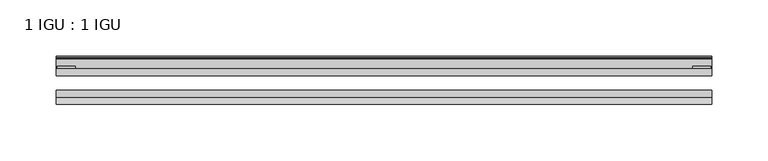
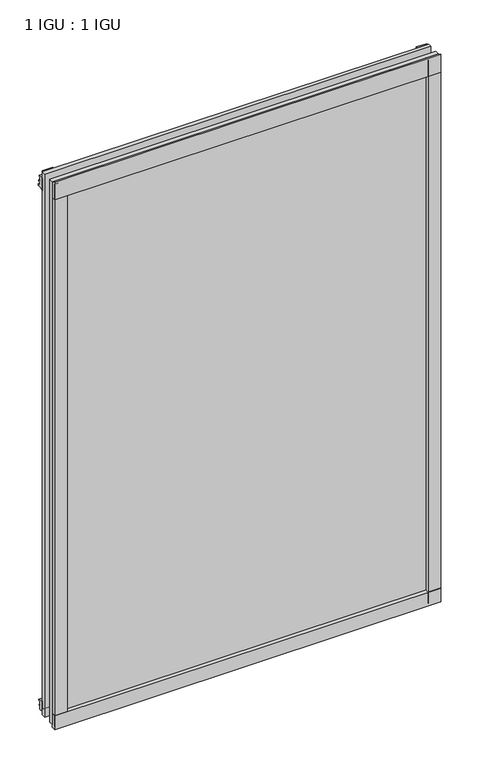
"""IFC4 building model written with IfcOpenShell, lengths in millimetres: plate geometry, 1 IGU : 1 IGU."""

from ifc_helpers import new_model, si_unit, point, frame, frame_2d, origin, place, context, project, spatial, polyline, circle_curve, trimmed, segment, composite_curve, outline, extrude, source, transform, mapped, element, save


def plate_1_igu_1_igu_bfe5021c(model_context):
    return source(origin(), model_context, "Body", "SweptSolid", [
        extrude(outline(polyline([(292.1, 0.0021347), (292.1, -6.2992), (-292.1, -6.2992), (-292.1, 0.0021347), (292.1, 0.0021347)])), frame((0.0, 0.0, -17.4498), z_axis=(0.0, 0.0, 1.0), x_axis=(1.0, 0.0, 0.0)), (0.0, 0.0, 1.0), 868.3366072),
        extrude(outline(polyline([(-292.1, -19.0986653), (292.1, -19.0986653), (292.1, -25.3978653), (-292.1, -25.3978653), (-292.1, -19.0986653)])), frame((0.0, 0.0, -17.4498), z_axis=(0.0, 0.0, 1.0), x_axis=(1.0, 0.0, 0.0)), (0.0, 0.0, 1.0), 868.3366072),
        extrude(outline(composite_curve([segment(polyline([(-31.75, 0.0), (-25.4, 0.0), (-25.4, -22.225)]), True, "CONTINUOUS"), segment(trimmed(circle_curve(frame_2d((-28.575, -28.9113452)), 7.4018806), [point((-25.4, -22.225))], [point((-31.75, -22.225))], True, "CARTESIAN"), True, "CONTINUOUS"), segment(polyline([(-31.75, -22.225), (-31.75, 0.0)]), True, "CONTINUOUS")], self_intersect=False)), frame((-292.1, 0.0, 0.0), z_axis=(1.0, 0.0, 0.0), x_axis=(0.0, 1.0, 0.0)), (0.0, 0.0, 1.0), 584.2),
        extrude(outline(composite_curve([segment(trimmed(circle_curve(frame_2d((13.6593785, 32.4202472)), 31.3046461), [point((0.0, 4.2528503))], [point((9.3980339, 1.406995))], True, "CARTESIAN"), True, "CONTINUOUS"), segment(polyline([(9.3980339, 1.406995), (9.3980339, 0.0254), (6.35, 0.0254), (6.35, -5.1625788), (7.7309478, -5.3970663), (6.35, -8.0073788), (6.35, -11.8471127)]), True, "CONTINUOUS"), segment(trimmed(circle_curve(frame_2d((5.334, -11.8471127)), 1.016), [point((6.35, -11.8471127))], [point((4.6284878, -12.5782136))], False, "CARTESIAN"), True, "CONTINUOUS"), segment(trimmed(circle_curve(frame_2d((-23.3689302, -41.5910901)), 40.3187601), [point((4.6284878, -12.5782136))], [point((0.0, -8.735413))], True, "CARTESIAN"), True, "CONTINUOUS"), segment(polyline([(0.0, -8.735413), (0.0, 4.2528503)]), True, "CONTINUOUS")], self_intersect=False)), frame((-292.1, 0.0, 0.0), z_axis=(1.0, 0.0, 0.0), x_axis=(0.0, 1.0, 0.0)), (0.0, 0.0, 1.0), 584.2),
        extrude(outline(composite_curve([segment(polyline([(8.509, 840.7300284), (8.509, 838.6980284), (6.35, 838.6980284), (6.35, 833.3640284), (8.9492698, 833.3640284)]), True, "CONTINUOUS"), segment(trimmed(circle_curve(frame_2d((8.208689, 831.8368072)), 1.697311), [point((8.9492698, 833.3640284))], [point((8.962411, 830.3160284))], False, "CARTESIAN"), True, "CONTINUOUS"), segment(polyline([(8.962411, 830.3160284), (6.35, 830.3160284), (6.35, 825.4868072), (11.1252, 825.4868072), (11.1252, 824.5978072)]), True, "CONTINUOUS"), segment(trimmed(circle_curve(frame_2d((10.1092, 824.5978072)), 1.016), [point((11.1252, 824.5978072))], [point((10.1092, 823.5818072))], False, "CARTESIAN"), True, "CONTINUOUS"), segment(trimmed(circle_curve(frame_2d((10.1092, 804.1707318)), 19.4110754), [point((10.1092, 823.5818072))], [point((0.0, 820.7416075))], True, "CARTESIAN"), True, "CONTINUOUS"), segment(polyline([(0.0, 820.7416075), (0.0, 840.7300284), (8.509, 840.7300284)]), True, "CONTINUOUS")], self_intersect=False)), frame((-292.1, 0.0, 0.0), z_axis=(1.0, 0.0, 0.0), x_axis=(0.0, 1.0, 0.0)), (0.0, 0.0, 1.0), 584.2),
        extrude(outline(composite_curve([segment(polyline([(-25.4, 850.8868072), (-25.4, 825.4868072), (-31.75, 825.4868072), (-31.75, 853.6597045)]), True, "CONTINUOUS"), segment(trimmed(circle_curve(frame_2d((-24.1401272, 862.4292187)), 11.6109665), [point((-31.75, 853.6597045))], [point((-25.4, 850.8868072))], True, "CARTESIAN"), True, "CONTINUOUS")], self_intersect=False)), frame((-292.1, 0.0, 0.0), z_axis=(1.0, 0.0, 0.0), x_axis=(0.0, 1.0, 0.0)), (0.0, 0.0, 1.0), 584.2),
        extrude(outline(composite_curve([segment(polyline([(273.05, -25.4), (292.1, -25.4)]), True, "CONTINUOUS"), segment(trimmed(circle_curve(frame_2d((301.5661507, -28.575)), 9.9844196), [point((292.1, -25.4))], [point((292.1, -31.75))], True, "CARTESIAN"), True, "CONTINUOUS"), segment(polyline([(292.1, -31.75), (273.05, -31.75), (273.05, -25.4)]), True, "CONTINUOUS")], self_intersect=False)), frame((0.0, 0.0, -17.4498), z_axis=(0.0, 0.0, 1.0), x_axis=(1.0, 0.0, 0.0)), (0.0, 0.0, 1.0), 868.3366072),
        extrude(outline(polyline([(290.8935, 2.2860088), (290.8935, 0.0021347), (275.0185, 0.0021347), (275.0185, 2.2860088), (290.8935, 2.2860088)])), frame((0.0, 0.0, -17.4498), z_axis=(0.0, 0.0, 1.0), x_axis=(1.0, 0.0, 0.0)), (0.0, 0.0, 1.0), 868.3366072),
        extrude(outline(composite_curve([segment(trimmed(circle_curve(frame_2d((-301.5661507, -28.575)), 9.9844196), [point((-292.1, -31.75))], [point((-292.1, -25.4))], True, "CARTESIAN"), True, "CONTINUOUS"), segment(polyline([(-292.1, -25.4), (-273.05, -25.4), (-273.05, -31.75), (-292.1, -31.75)]), True, "CONTINUOUS")], self_intersect=False)), frame((0.0, 0.0, -17.4498), z_axis=(0.0, 0.0, 1.0), x_axis=(1.0, 0.0, 0.0)), (0.0, 0.0, 1.0), 868.3366072),
        extrude(outline(polyline([(-290.8935, 0.0), (-290.8935, 2.286), (-275.0185, 2.286), (-275.0185, 0.0), (-290.8935, 0.0)])), frame((0.0, 0.0, -17.4498), z_axis=(0.0, 0.0, 1.0), x_axis=(1.0, 0.0, 0.0)), (0.0, 0.0, 1.0), 868.3366072),
    ])


if __name__ == "__main__":
    model = new_model("IFC4")
    model_context = context("Model", 3, world=origin())
    ifc_project = project(units=[si_unit("LENGTHUNIT", "METRE", prefix="MILLI")], contexts=[model_context])
    site = spatial("IfcSite", under=ifc_project)
    building = spatial("IfcBuilding", under=site)
    placement = place(None, origin())
    plate_1_igu_1_igu_shape = plate_1_igu_1_igu_bfe5021c(model_context)
    element("IfcPlate", 1, ObjectType="1 IGU : 1 IGU", at=placement, inside=building, context=model_context, shape_type="MappedRepresentation", body=[
        mapped(plate_1_igu_1_igu_shape, transform((0.0, 0.0, 0.0), x_axis=(1.0, 0.0, 0.0), y_axis=(0.0, 1.0, 0.0), z_axis=(0.0, 0.0, 1.0))),
    ])
    save(model, "model.ifc")
